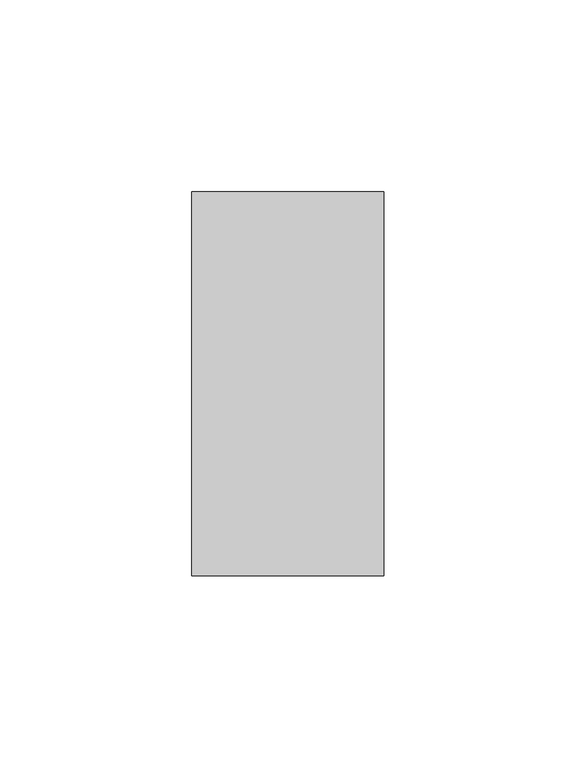
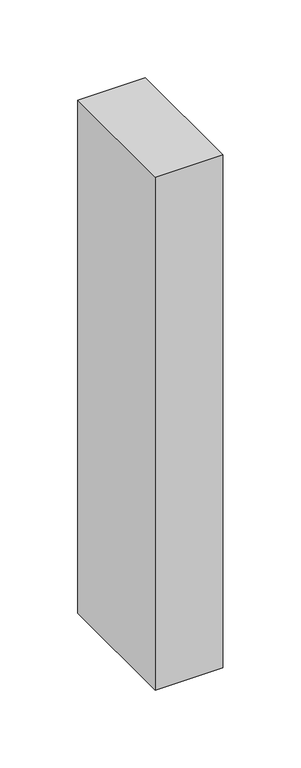
"""IFC4 building model written with IfcOpenShell, lengths in millimetres: member geometry."""

from ifc_helpers import new_model, si_unit, frame, origin, place, context, project, spatial, polyline, outline, extrude, source, transform, mapped, element, save


def member_4cfe245b(model_context):
    return source(origin(), model_context, "Body", "SweptSolid", [
        extrude(outline(polyline([(0.0, 50.0), (0.0, -50.0), (-50.0, -50.0), (-50.0, 50.0), (0.0, 50.0)])), frame((0.0, 0.0, -402.7324119), z_axis=(0.0, 0.0, 1.0), x_axis=(1.0, 0.0, 0.0)), (0.0, 0.0, 1.0), 402.7324119),
    ])


if __name__ == "__main__":
    model = new_model("IFC4")
    model_context = context("Model", 3, world=origin())
    ifc_project = project(units=[si_unit("LENGTHUNIT", "METRE", prefix="MILLI")], contexts=[model_context])
    site = spatial("IfcSite", under=ifc_project)
    building = spatial("IfcBuilding", under=site)
    placement = place(None, origin())
    member_shape = member_4cfe245b(model_context)
    element("IfcMember", 1, at=placement, inside=building, context=model_context, shape_type="MappedRepresentation", body=[
        mapped(member_shape, transform((0.0, 0.0, 0.0), x_axis=(1.0, 0.0, 0.0), y_axis=(0.0, 1.0, 0.0), z_axis=(0.0, 0.0, 1.0))),
    ])
    save(model, "model.ifc")
